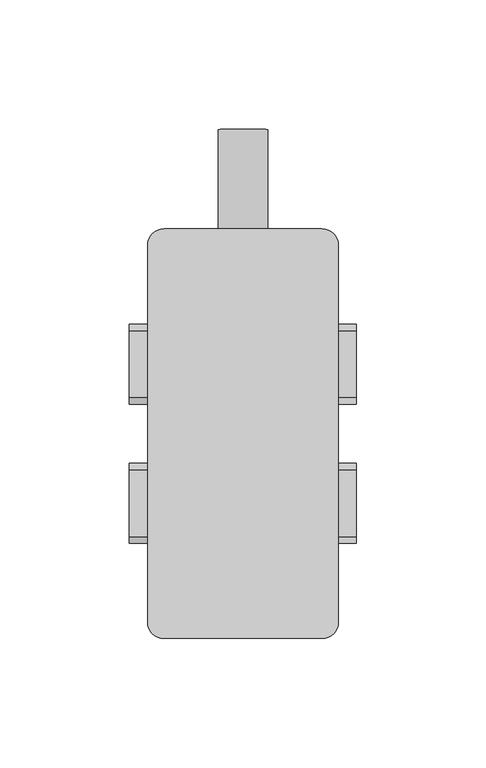
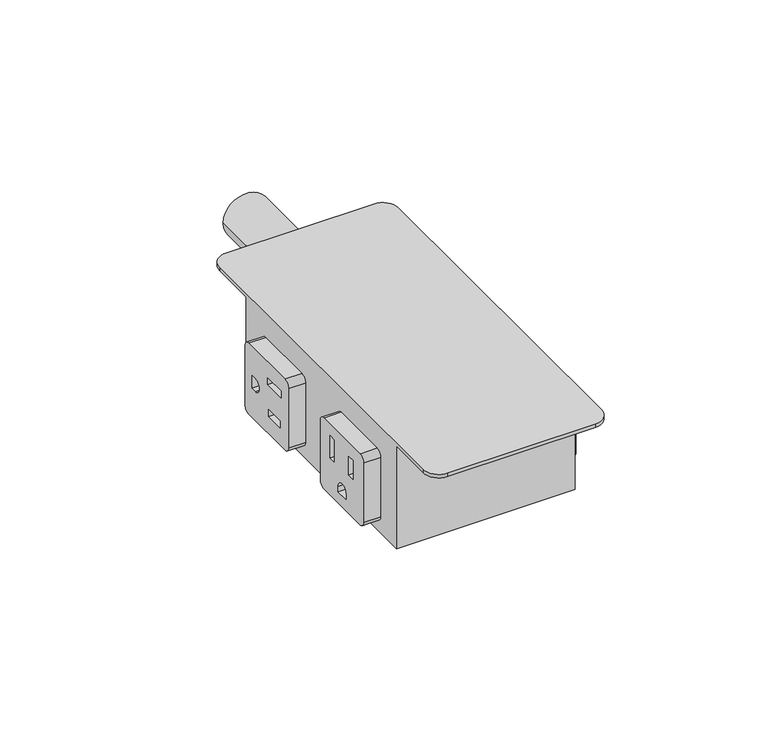
"""IFC4 building model written with IfcOpenShell, lengths in millimetres: furniture geometry."""

from ifc_helpers import new_model, si_unit, point, frame, frame_2d, origin, place, context, project, spatial, polyline, circle_curve, trimmed, segment, composite_curve, outline, extrude, source, transform, mapped, element, save
from ifc_brep_helpers import plane_surface, cylinder_surface, advanced_brep


def furniture_6ea55f9e(model_context):
    return source(origin(), model_context, "Body", "SolidModel", [
        extrude(outline(composite_curve([segment(trimmed(circle_curve(frame_2d((689.2035713, 254.6350024)), 9.525), [point((689.2035713, 245.1100024))], [point((689.2035713, 264.1600024))], False, "CARTESIAN"), True, "CONTINUOUS"), segment(trimmed(circle_curve(frame_2d((689.2035713, 254.6350024)), 9.525), [point((689.2035713, 264.1600024))], [point((689.2035713, 245.1100024))], False, "CARTESIAN"), True, "CONTINUOUS")], self_intersect=False)), frame((0.0, -140.0174982, 0.0), z_axis=(0.0, 1.0, 0.0), x_axis=(0.0, 0.0, 1.0)), (0.0, 0.0, 1.0), 63.8174982),
        extrude(outline(composite_curve([segment(polyline([(-179.7746893, 695.9091213), (-153.9176514, 695.9091213)]), True, "CONTINUOUS"), segment(trimmed(circle_curve(frame_2d((-153.9176514, 693.3691213)), 2.54), [point((-153.9176514, 695.9091213))], [point((-151.3776514, 693.3691213))], False, "CARTESIAN"), True, "CONTINUOUS"), segment(polyline([(-151.3776514, 693.3691213), (-151.3776514, 667.5120562)]), True, "CONTINUOUS"), segment(trimmed(circle_curve(frame_2d((-153.9176514, 667.5120562)), 2.54), [point((-151.3776514, 667.5120562))], [point((-153.9176514, 664.9720562))], False, "CARTESIAN"), True, "CONTINUOUS"), segment(polyline([(-153.9176514, 664.9720562), (-179.7746893, 664.9720562)]), True, "CONTINUOUS"), segment(trimmed(circle_curve(frame_2d((-179.7746893, 667.5120562)), 2.54), [point((-179.7746893, 664.9720562))], [point((-182.3146893, 667.5120562))], False, "CARTESIAN"), True, "CONTINUOUS"), segment(polyline([(-182.3146893, 667.5120562), (-182.3146893, 693.3691213)]), True, "CONTINUOUS"), segment(trimmed(circle_curve(frame_2d((-179.7746893, 693.3691213)), 2.54), [point((-182.3146893, 693.3691213))], [point((-179.7746893, 695.9091213))], False, "CARTESIAN"), True, "CONTINUOUS")], self_intersect=False), holes=[polyline([(-177.1343006, 689.0760355), (-177.1343006, 686.0630653), (-167.5187174, 686.0630653), (-167.5187174, 689.0760355), (-177.1343006, 689.0760355)]), composite_curve([segment(polyline([(-156.2199703, 683.2114952), (-158.6250525, 683.2114952)]), True, "CONTINUOUS"), segment(trimmed(circle_curve(frame_2d((-158.6250525, 680.4405888)), 2.7709064), [point((-158.6250525, 683.2114952))], [point((-158.6250525, 677.6696823))], True, "CARTESIAN"), True, "CONTINUOUS"), segment(polyline([(-158.6250525, 677.6696823), (-156.2199703, 677.6696823), (-156.2199703, 683.2114952)]), True, "CONTINUOUS")], self_intersect=False), polyline([(-176.3425066, 675.6223509), (-176.3425066, 672.5583664), (-168.0884138, 672.5583664), (-168.0884138, 675.6223509), (-176.3425066, 675.6223509)])]), frame((210.8183807, 0.0, 0.0), z_axis=(1.0, 0.0, 0.0), x_axis=(0.0, 1.0, 0.0)), (0.0, 0.0, 1.0), 6.9866193),
        extrude(outline(composite_curve([segment(trimmed(circle_curve(frame_2d((-233.4321881, 667.5120562)), 2.54), [point((-233.4321881, 664.9720562))], [point((-235.9721881, 667.5120562))], False, "CARTESIAN"), True, "CONTINUOUS"), segment(polyline([(-235.9721881, 667.5120562), (-235.9721881, 693.3691213)]), True, "CONTINUOUS"), segment(trimmed(circle_curve(frame_2d((-233.4321881, 693.3691213)), 2.54), [point((-235.9721881, 693.3691213))], [point((-233.4321881, 695.9091213))], False, "CARTESIAN"), True, "CONTINUOUS"), segment(polyline([(-233.4321881, 695.9091213), (-207.5751411, 695.9091213)]), True, "CONTINUOUS"), segment(trimmed(circle_curve(frame_2d((-207.5751411, 693.3691213)), 2.54), [point((-207.5751411, 695.9091213))], [point((-205.0351411, 693.3691213))], False, "CARTESIAN"), True, "CONTINUOUS"), segment(polyline([(-205.0351411, 693.3691213), (-205.0351411, 667.5120562)]), True, "CONTINUOUS"), segment(trimmed(circle_curve(frame_2d((-207.5751411, 667.5120562)), 2.54), [point((-205.0351411, 667.5120562))], [point((-207.5751411, 664.9720562))], False, "CARTESIAN"), True, "CONTINUOUS"), segment(polyline([(-207.5751411, 664.9720562), (-233.4321881, 664.9720562)]), True, "CONTINUOUS")], self_intersect=False), holes=[polyline([(-211.868227, 690.7287508), (-214.8811971, 690.7287508), (-214.8811971, 681.1131676), (-211.868227, 681.1131676), (-211.868227, 690.7287508)]), composite_curve([segment(polyline([(-217.7327672, 669.8144205), (-217.7327672, 672.2195027)]), True, "CONTINUOUS"), segment(trimmed(circle_curve(frame_2d((-220.5036737, 672.2195027)), 2.7709064), [point((-217.7327672, 672.2195027))], [point((-223.2745801, 672.2195027))], True, "CARTESIAN"), True, "CONTINUOUS"), segment(polyline([(-223.2745801, 672.2195027), (-223.2745801, 669.8144205), (-217.7327672, 669.8144205)]), True, "CONTINUOUS")], self_intersect=False), polyline([(-225.3219116, 689.9369568), (-228.3858961, 689.9369568), (-228.3858961, 681.682864), (-225.3219116, 681.682864), (-225.3219116, 689.9369568)])]), frame((210.8183807, 0.0, 0.0), z_axis=(1.0, 0.0, 0.0), x_axis=(0.0, 1.0, 0.0)), (0.0, 0.0, 1.0), 6.9866193),
        extrude(outline(composite_curve([segment(polyline([(-179.7746893, 695.9091213), (-153.9176514, 695.9091213)]), True, "CONTINUOUS"), segment(trimmed(circle_curve(frame_2d((-153.9176514, 693.3691213)), 2.54), [point((-153.9176514, 695.9091213))], [point((-151.3776514, 693.3691213))], False, "CARTESIAN"), True, "CONTINUOUS"), segment(polyline([(-151.3776514, 693.3691213), (-151.3776514, 667.5120562)]), True, "CONTINUOUS"), segment(trimmed(circle_curve(frame_2d((-153.9176514, 667.5120562)), 2.54), [point((-151.3776514, 667.5120562))], [point((-153.9176514, 664.9720562))], False, "CARTESIAN"), True, "CONTINUOUS"), segment(polyline([(-153.9176514, 664.9720562), (-179.7746893, 664.9720562)]), True, "CONTINUOUS"), segment(trimmed(circle_curve(frame_2d((-179.7746893, 667.5120562)), 2.54), [point((-179.7746893, 664.9720562))], [point((-182.3146893, 667.5120562))], False, "CARTESIAN"), True, "CONTINUOUS"), segment(polyline([(-182.3146893, 667.5120562), (-182.3146893, 693.3691213)]), True, "CONTINUOUS"), segment(trimmed(circle_curve(frame_2d((-179.7746893, 693.3691213)), 2.54), [point((-182.3146893, 693.3691213))], [point((-179.7746893, 695.9091213))], False, "CARTESIAN"), True, "CONTINUOUS")], self_intersect=False), holes=[polyline([(-177.1343006, 689.0760355), (-177.1343006, 686.0630653), (-167.5187174, 686.0630653), (-167.5187174, 689.0760355), (-177.1343006, 689.0760355)]), composite_curve([segment(polyline([(-156.2199703, 683.2114952), (-158.6250525, 683.2114952)]), True, "CONTINUOUS"), segment(trimmed(circle_curve(frame_2d((-158.6250525, 680.4405888)), 2.7709064), [point((-158.6250525, 683.2114952))], [point((-158.6250525, 677.6696823))], True, "CARTESIAN"), True, "CONTINUOUS"), segment(polyline([(-158.6250525, 677.6696823), (-156.2199703, 677.6696823), (-156.2199703, 683.2114952)]), True, "CONTINUOUS")], self_intersect=False), polyline([(-176.3425066, 675.6223509), (-176.3425066, 672.5583664), (-168.0884138, 672.5583664), (-168.0884138, 675.6223509), (-176.3425066, 675.6223509)])]), frame((291.4650036, 0.0, 0.0), z_axis=(1.0, 0.0, 0.0), x_axis=(0.0, 1.0, 0.0)), (0.0, 0.0, 1.0), 6.9866193),
        extrude(outline(composite_curve([segment(trimmed(circle_curve(frame_2d((-233.4321881, 667.5120562)), 2.54), [point((-233.4321881, 664.9720562))], [point((-235.9721881, 667.5120562))], False, "CARTESIAN"), True, "CONTINUOUS"), segment(polyline([(-235.9721881, 667.5120562), (-235.9721881, 693.3691213)]), True, "CONTINUOUS"), segment(trimmed(circle_curve(frame_2d((-233.4321881, 693.3691213)), 2.54), [point((-235.9721881, 693.3691213))], [point((-233.4321881, 695.9091213))], False, "CARTESIAN"), True, "CONTINUOUS"), segment(polyline([(-233.4321881, 695.9091213), (-207.5751411, 695.9091213)]), True, "CONTINUOUS"), segment(trimmed(circle_curve(frame_2d((-207.5751411, 693.3691213)), 2.54), [point((-207.5751411, 695.9091213))], [point((-205.0351411, 693.3691213))], False, "CARTESIAN"), True, "CONTINUOUS"), segment(polyline([(-205.0351411, 693.3691213), (-205.0351411, 667.5120562)]), True, "CONTINUOUS"), segment(trimmed(circle_curve(frame_2d((-207.5751411, 667.5120562)), 2.54), [point((-205.0351411, 667.5120562))], [point((-207.5751411, 664.9720562))], False, "CARTESIAN"), True, "CONTINUOUS"), segment(polyline([(-207.5751411, 664.9720562), (-233.4321881, 664.9720562)]), True, "CONTINUOUS")], self_intersect=False), holes=[polyline([(-211.868227, 690.7287508), (-214.8811971, 690.7287508), (-214.8811971, 681.1131676), (-211.868227, 681.1131676), (-211.868227, 690.7287508)]), composite_curve([segment(polyline([(-217.7327672, 669.8144205), (-217.7327672, 672.2195027)]), True, "CONTINUOUS"), segment(trimmed(circle_curve(frame_2d((-220.5036737, 672.2195027)), 2.7709064), [point((-217.7327672, 672.2195027))], [point((-223.2745801, 672.2195027))], True, "CARTESIAN"), True, "CONTINUOUS"), segment(polyline([(-223.2745801, 672.2195027), (-223.2745801, 669.8144205), (-217.7327672, 669.8144205)]), True, "CONTINUOUS")], self_intersect=False), polyline([(-225.3219116, 689.9369568), (-228.3858961, 689.9369568), (-228.3858961, 681.682864), (-225.3219116, 681.682864), (-225.3219116, 689.9369568)])]), frame((291.4650036, 0.0, 0.0), z_axis=(1.0, 0.0, 0.0), x_axis=(0.0, 1.0, 0.0)), (0.0, 0.0, 1.0), 6.9866193),
        advanced_brep(
        [(291.465, -120.9675, 706.7296091), (285.115, -114.6175, 706.7296091), (224.155, -114.6175, 706.7296091), (217.805, -120.9675, 706.7296091), (217.805, -266.382503, 706.7296091), (224.155, -272.732503, 706.7296091), (285.115, -272.732503, 706.7296091), (291.465, -266.382503, 706.7296091), (291.465, -120.9675, 705.2055742), (291.465, -140.0174982, 705.2055742), (217.8050012, -140.0174982, 705.2055742), (217.805, -120.9675, 705.2055742), (224.155, -114.6175, 705.2055742), (285.115, -114.6175, 705.2055742), (291.465, -266.382503, 705.2055742), (285.115, -272.732503, 705.2055742), (224.155, -272.732503, 705.2055742), (217.805, -266.382503, 705.2055742), (217.805, -247.3325048, 705.2055742), (291.465, -247.3325048, 705.2055742), (217.805, -140.0174982, 660.5016169), (217.805, -247.3325048, 660.5016169), (291.465, -247.3325048, 660.5016169), (291.465, -140.0174982, 660.5016169)],
        [
            (0, 1, circle_curve(frame((285.115, -120.9675, 706.7296091), z_axis=(0.0, 0.0, 1.0), x_axis=(1.0, 0.0, 0.0)), 6.35)),
            (1, 2),
            (2, 3, circle_curve(frame((224.155, -120.9675, 706.7296091), z_axis=(0.0, 0.0, 1.0), x_axis=(1.0, 0.0, 0.0)), 6.35)),
            (3, 4),
            (4, 5, circle_curve(frame((224.155, -266.382503, 706.7296091), z_axis=(0.0, 0.0, 1.0), x_axis=(1.0, 0.0, 0.0)), 6.35)),
            (5, 6),
            (6, 7, circle_curve(frame((285.115, -266.382503, 706.7296091), z_axis=(0.0, 0.0, 1.0), x_axis=(1.0, 0.0, 0.0)), 6.35)),
            (7, 0),
            (8, 9),
            (9, 10),
            (10, 11),
            (11, 12, circle_curve(frame((224.155, -120.9675, 705.2055742), z_axis=(0.0, 0.0, -1.0), x_axis=(1.0, 0.0, 0.0)), 6.35)),
            (12, 13),
            (13, 8, circle_curve(frame((285.115, -120.9675, 705.2055742), z_axis=(0.0, 0.0, -1.0), x_axis=(1.0, 0.0, 0.0)), 6.35)),
            (14, 15, circle_curve(frame((285.115, -266.382503, 705.2055742), z_axis=(0.0, 0.0, -1.0), x_axis=(1.0, 0.0, 0.0)), 6.35)),
            (15, 16),
            (16, 17, circle_curve(frame((224.155, -266.382503, 705.2055742), z_axis=(0.0, 0.0, -1.0), x_axis=(1.0, 0.0, 0.0)), 6.35)),
            (17, 18),
            (18, 19),
            (19, 14),
            (0, 8),
            (13, 1),
            (12, 2),
            (11, 3),
            (10, 20),
            (20, 21),
            (21, 18),
            (17, 4),
            (7, 14),
            (19, 22),
            (22, 23),
            (23, 9),
            (16, 5),
            (15, 6),
            (21, 22),
            (20, 23),
        ],
        [
            plane_surface(frame((291.465, -120.9675, 706.7296091), z_axis=(0.0, 0.0, 1.0), x_axis=(0.0, 1.0, 0.0))),
            plane_surface(frame((291.465, -120.9675, 705.2055742), z_axis=(0.0, 0.0, -1.0), x_axis=(0.0, -1.0, 0.0))),
            cylinder_surface(frame((285.115, -120.9675, 705.2055742), z_axis=(0.0, 0.0, 1.0), x_axis=(1.0, 0.0, 0.0)), 6.35),
            plane_surface(frame((285.115, -114.6175, 706.7296091), z_axis=(0.0, 1.0, 0.0), x_axis=(0.0, 0.0, -1.0))),
            cylinder_surface(frame((224.155, -120.9675, 705.2055742), z_axis=(0.0, 0.0, 1.0), x_axis=(1.0, 0.0, 0.0)), 6.35),
            plane_surface(frame((217.805, -120.9675, 706.7296091), z_axis=(-1.0, 0.0, 0.0), x_axis=(0.0, 0.0, -1.0))),
            plane_surface(frame((291.465, -140.0174982, 706.7296091), z_axis=(1.0, 0.0, 0.0), x_axis=(0.0, 0.0, -1.0))),
            cylinder_surface(frame((224.155, -266.382503, 0.0), z_axis=(0.0, 0.0, 1.0), x_axis=(1.0, 0.0, 0.0)), 6.35),
            plane_surface(frame((224.155, -272.732503, 706.7296091), z_axis=(0.0, -1.0, 0.0), x_axis=(0.0, 0.0, -1.0))),
            cylinder_surface(frame((285.115, -266.382503, 0.0), z_axis=(0.0, 0.0, 1.0), x_axis=(1.0, 0.0, 0.0)), 6.35),
            plane_surface(frame((291.4650036, -247.3325048, 706.7296091), z_axis=(0.0, -1.0, 0.0), x_axis=(-1.0, 0.0, 0.0))),
            plane_surface(frame((291.4650036, -247.3325048, 660.5016169), z_axis=(0.0, 0.0, -1.0), x_axis=(-1.0, 0.0, 0.0))),
            plane_surface(frame((291.4650036, -140.0174982, 660.5016169), z_axis=(0.0, 1.0, 0.0), x_axis=(-1.0, 0.0, 0.0))),
        ],
        [
            (0, [[1, 2, 3, 4, 5, 6, 7, 8]]),
            (1, [[9, 10, 11, 12, 13, 14]]),
            (1, [[15, 16, 17, 18, 19, 20]]),
            (2, [[-1, 21, -14, 22]]),
            (3, [[-2, -22, -13, 23]]),
            (4, [[-3, -23, -12, 24]]),
            (5, [[-4, -24, -11, 25, 26, 27, -18, 28]]),
            (6, [[-8, 29, -20, 30, 31, 32, -9, -21]]),
            (7, [[-5, -28, -17, 33]]),
            (8, [[-6, -33, -16, 34]]),
            (9, [[-7, -34, -15, -29]]),
            (10, [[35, -30, -19, -27]]),
            (11, [[-31, -35, -26, 36]]),
            (12, [[-36, -25, -10, -32]]),
        ],
    ),
    ])


if __name__ == "__main__":
    model = new_model("IFC4")
    model_context = context("Model", 3, world=origin())
    ifc_project = project(units=[si_unit("LENGTHUNIT", "METRE", prefix="MILLI")], contexts=[model_context])
    site = spatial("IfcSite", under=ifc_project)
    building = spatial("IfcBuilding", under=site)
    placement = place(None, origin())
    furniture_shape = furniture_6ea55f9e(model_context)
    element("IfcFurniture", 1, at=placement, inside=building, context=model_context, shape_type="MappedRepresentation", body=[
        mapped(furniture_shape, transform((0.0, 0.0, 0.0), x_axis=(1.0, 0.0, 0.0), y_axis=(0.0, 1.0, 0.0), z_axis=(0.0, 0.0, 1.0))),
    ])
    save(model, "model.ifc")
